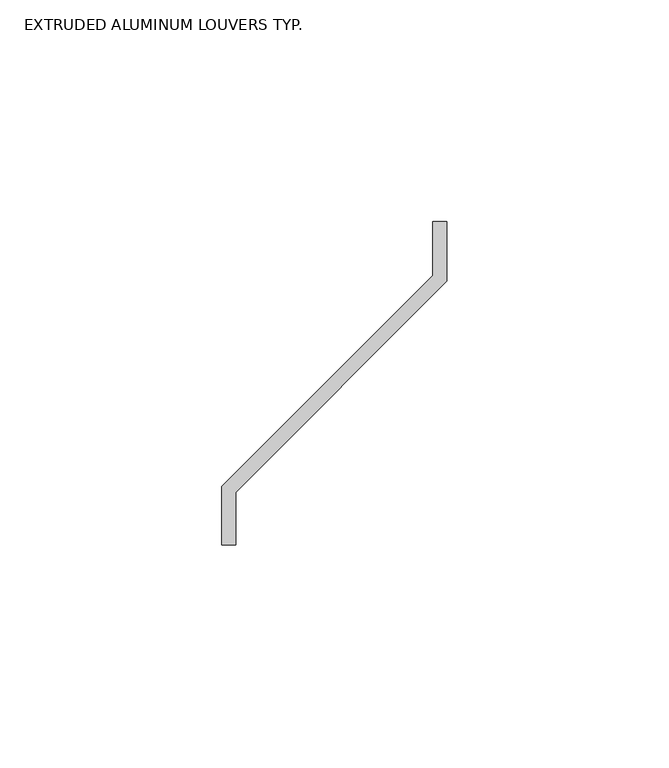
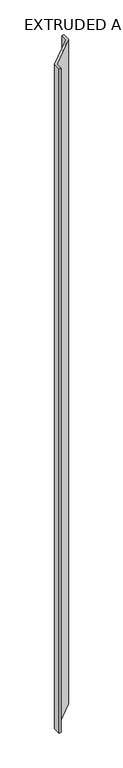
"""IFC4 building model written with IfcOpenShell, lengths in millimetres: proxy geometry, EXTRUDED ALUMINUM LOUVERS TYP.."""

from ifc_helpers import new_model, si_unit, origin, origin_with_axes, place, context, project, spatial, polyline, outline, extrude, source, transform, mapped, element, save


def extruded_aluminum_louvers_typ_e3f86129(model_context):
    return source(origin(), model_context, "Body", "SweptSolid", [
        extrude(outline(polyline([(0.0, 13.1959781), (47.625, 60.8209781), (47.625, 72.9742), (50.8, 72.9742), (50.8, 59.50585), (3.175, 11.88085), (3.175, 0.0), (0.0, 0.0), (0.0, 13.1959781)])), origin_with_axes(), (0.0, 0.0, 1.0), 1218.7475995),
    ])


if __name__ == "__main__":
    model = new_model("IFC4")
    model_context = context("Model", 3, world=origin())
    ifc_project = project(units=[si_unit("LENGTHUNIT", "METRE", prefix="MILLI")], contexts=[model_context])
    site = spatial("IfcSite", under=ifc_project)
    building = spatial("IfcBuilding", under=site)
    placement = place(None, origin())
    extruded_aluminum_louvers_typ_shape = extruded_aluminum_louvers_typ_e3f86129(model_context)
    element("IfcBuildingElementProxy", 1, Name="EXTRUDED ALUMINUM LOUVERS TYP.", ObjectType="EXTRUDED ALUMINUM LOUVERS TYP.", at=placement, inside=building, context=model_context, shape_type="MappedRepresentation", body=[
        mapped(extruded_aluminum_louvers_typ_shape, transform((0.0, 0.0, 0.0), x_axis=(1.0, 0.0, 0.0), y_axis=(0.0, 1.0, 0.0), z_axis=(0.0, 0.0, 1.0))),
    ])
    save(model, "model.ifc")
